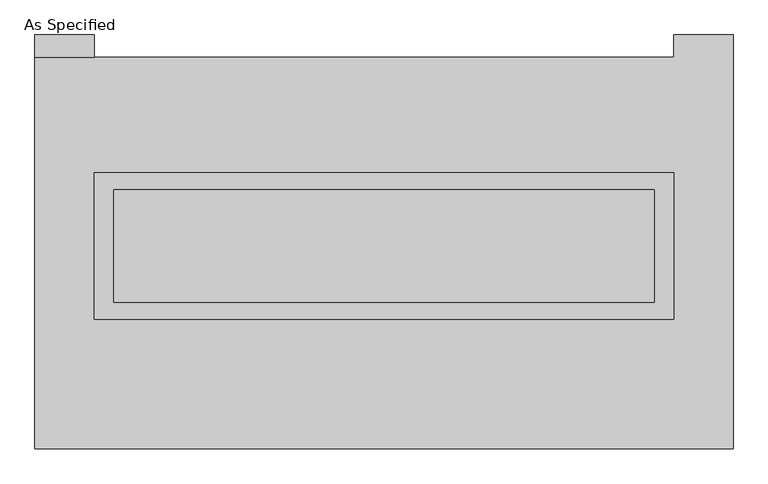
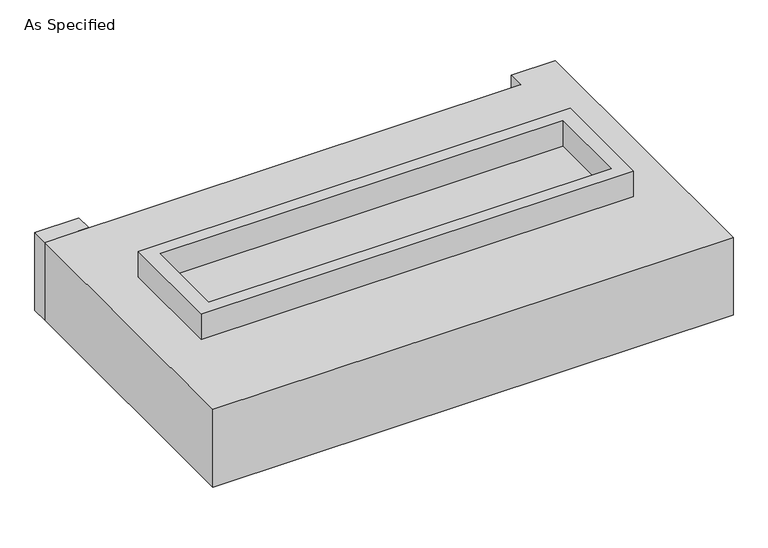
"""IFC4 building model written with IfcOpenShell, lengths in millimetres: proxy geometry, As Specified."""

from ifc_helpers import new_model, si_unit, frame, origin, place, context, project, spatial, polyline, outline, extrude, source, transform, mapped, element, save


def as_specified_a926bae1(model_context):
    return source(origin(), model_context, "Body", "SweptSolid", [
        extrude(outline(polyline([(1308.1, 361.95), (1308.1, -298.45), (-1308.1, -298.45), (-1308.1, 361.95), (1308.1, 361.95)]), holes=[polyline([(1219.2, 285.75), (-1219.2, 285.75), (-1219.2, -222.25), (1219.2, -222.25), (1219.2, 285.75)])]), frame((0.0, 0.0, -688.975), z_axis=(0.0, 0.0, 1.0), x_axis=(1.0, 0.0, 0.0)), (0.0, 0.0, 1.0), 165.1),
        extrude(outline(polyline([(1308.1, 361.95), (1308.1, -298.45), (-1308.1, -298.45), (-1308.1, 361.95), (1308.1, 361.95)]), holes=[polyline([(1219.2, 285.75), (-1219.2, 285.75), (-1219.2, -222.25), (1219.2, -222.25), (1219.2, 285.75)])]), frame((0.0, 0.0, -25.4), z_axis=(0.0, 0.0, 1.0), x_axis=(1.0, 0.0, 0.0)), (0.0, 0.0, 1.0), 165.1),
        extrude(outline(polyline([(-1308.1, 882.65), (-1574.8, 882.65), (-1574.8, 984.25), (-1308.1, 984.25), (-1308.1, 882.65)])), frame((0.0, 0.0, -523.875), z_axis=(0.0, 0.0, 1.0), x_axis=(1.0, 0.0, 0.0)), (0.0, 0.0, 1.0), 498.475),
        extrude(outline(polyline([(1219.2, 285.75), (1219.2, -222.25), (-1219.2, -222.25), (-1219.2, 285.75), (1219.2, 285.75)])), frame((0.0, 0.0, -523.875), z_axis=(0.0, 0.0, 1.0), x_axis=(1.0, 0.0, 0.0)), (0.0, 0.0, 1.0), 4.9609375),
        extrude(outline(polyline([(1219.2, 285.75), (1219.2, -222.25), (-1219.2, -222.25), (-1219.2, 285.75), (1219.2, 285.75)])), frame((0.0, 0.0, -30.3609375), z_axis=(0.0, 0.0, 1.0), x_axis=(1.0, 0.0, 0.0)), (0.0, 0.0, 1.0), 4.9609375),
        extrude(outline(polyline([(1574.8, -882.65), (-1574.8, -882.65), (-1574.8, 882.65), (1308.1, 882.65), (1308.1, 984.25), (1574.8, 984.25), (1574.8, -882.65)]), holes=[polyline([(-1308.1, 361.95), (-1308.1, -298.45), (1308.1, -298.45), (1308.1, 361.95), (-1308.1, 361.95)])]), frame((0.0, 0.0, -523.875), z_axis=(0.0, 0.0, 1.0), x_axis=(1.0, 0.0, 0.0)), (0.0, 0.0, 1.0), 498.475),
    ])


if __name__ == "__main__":
    model = new_model("IFC4")
    model_context = context("Model", 3, world=origin())
    ifc_project = project(units=[si_unit("LENGTHUNIT", "METRE", prefix="MILLI")], contexts=[model_context])
    site = spatial("IfcSite", under=ifc_project)
    building = spatial("IfcBuilding", under=site)
    placement = place(None, origin())
    as_specified_shape = as_specified_a926bae1(model_context)
    element("IfcBuildingElementProxy", 1, Name="As Specified", ObjectType="As Specified", at=placement, inside=building, context=model_context, shape_type="MappedRepresentation", body=[
        mapped(as_specified_shape, transform((0.0, 0.0, 0.0), x_axis=(1.0, 0.0, 0.0), y_axis=(0.0, 1.0, 0.0), z_axis=(0.0, 0.0, 1.0))),
    ])
    save(model, "model.ifc")
